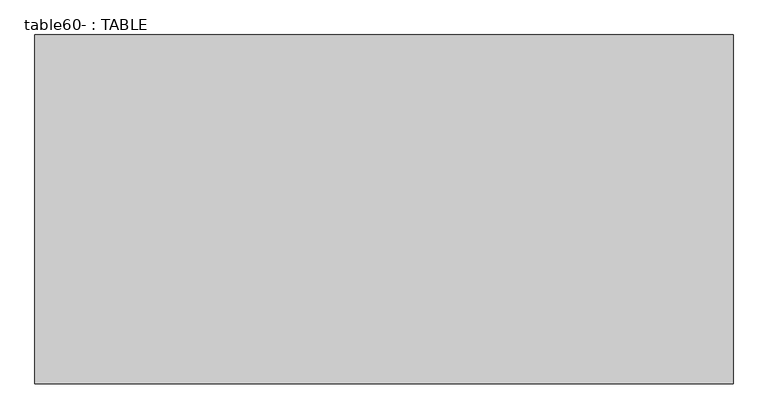
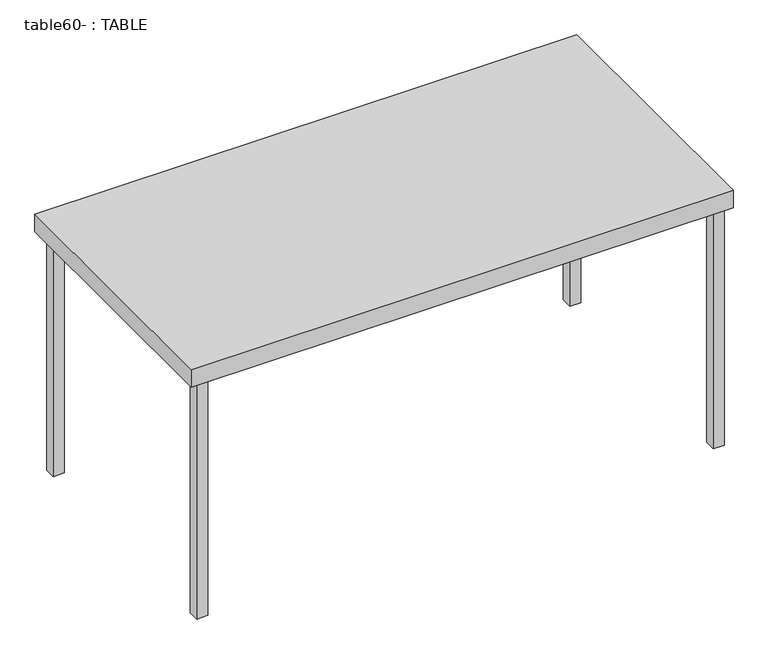
"""IFC4 building model written with IfcOpenShell, lengths in millimetres: proxy geometry, table60- : TABLE."""

from ifc_helpers import new_model, si_unit, frame, origin, origin_with_axes, place, context, project, spatial, polyline, outline, extrude, source, transform, mapped, element, save


def table60_table_95fd969e(model_context):
    return source(origin(), model_context, "Body", "SweptSolid", [
        extrude(outline(polyline([(1404.6137517, -655.1715496), (1404.6137517, -623.4215496), (1436.3637517, -623.4215496), (1436.3637517, -655.1715496), (1404.6137517, -655.1715496)])), origin_with_axes(), (0.0, 0.0, 1.0), 710.442417),
        extrude(outline(polyline([(1404.6137517, 75.7774374), (1436.3637517, 75.7774374), (1436.3637517, 44.0274374), (1404.6137517, 44.0274374), (1404.6137517, 75.7774374)])), origin_with_axes(), (0.0, 0.0, 1.0), 710.442417),
        extrude(outline(polyline([(-14.7019433, -652.1166782), (-46.4519433, -652.1166782), (-46.4519433, -620.3666782), (-14.7019433, -620.3666782), (-14.7019433, -652.1166782)])), origin_with_axes(), (0.0, 0.0, 1.0), 710.442417),
        extrude(outline(polyline([(-14.7019433, 78.8323089), (-14.7019433, 47.0823089), (-46.4519433, 47.0823089), (-46.4519433, 78.8323089), (-14.7019433, 78.8323089)])), origin_with_axes(), (0.0, 0.0, 1.0), 710.442417),
        extrude(outline(polyline([(1451.978976, 91.3029439), (1451.978976, -670.6970561), (-72.021024, -670.6970561), (-72.021024, 91.3029439), (1451.978976, 91.3029439)])), frame((0.0, 0.0, 710.442417), z_axis=(0.0, 0.0, 1.0), x_axis=(1.0, 0.0, 0.0)), (0.0, 0.0, 1.0), 51.557583),
    ])


if __name__ == "__main__":
    model = new_model("IFC4")
    model_context = context("Model", 3, world=origin())
    ifc_project = project(units=[si_unit("LENGTHUNIT", "METRE", prefix="MILLI")], contexts=[model_context])
    site = spatial("IfcSite", under=ifc_project)
    building = spatial("IfcBuilding", under=site)
    placement = place(None, origin())
    table60_table_shape = table60_table_95fd969e(model_context)
    element("IfcBuildingElementProxy", 1, Name="table60- : TABLE", ObjectType="table60- : TABLE", at=placement, inside=building, context=model_context, shape_type="MappedRepresentation", body=[
        mapped(table60_table_shape, transform((0.0, 0.0, 0.0), x_axis=(1.0, 0.0, 0.0), y_axis=(0.0, 1.0, 0.0), z_axis=(0.0, 0.0, 1.0))),
    ])
    save(model, "model.ifc")
